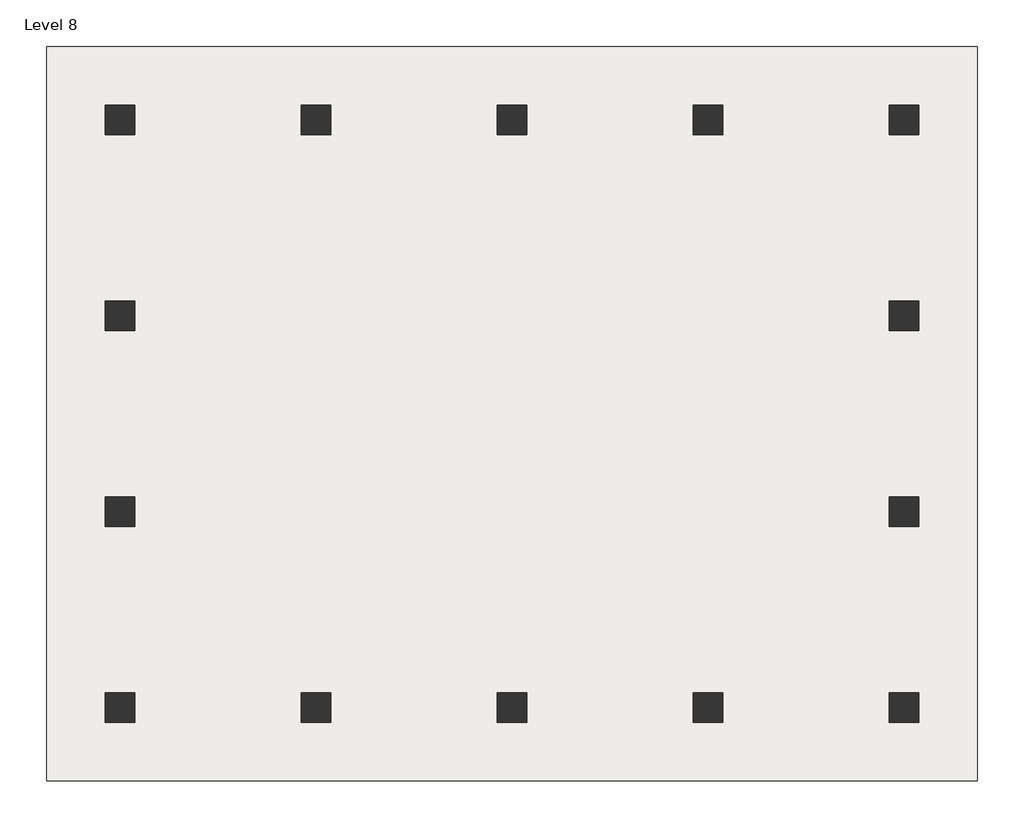
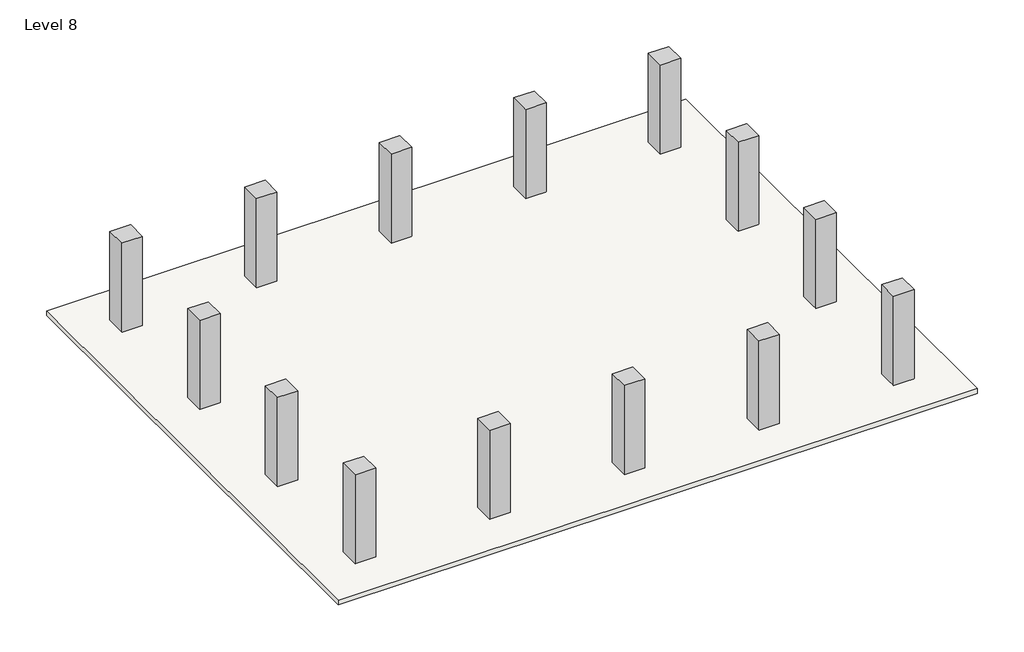
# One storey: 14 columns, 1 slab.
"""IFC4 building model written with IfcOpenShell, lengths in millimetres."""

from ifc_helpers import new_model, si_unit, frame, origin, place, context, project, spatial, polyline, outline, extrude, element, save

model = new_model("IFC4")

# Units and contexts
model_context = context("Model", 3, world=origin())
ifc_project = project(units=[si_unit("LENGTHUNIT", "METRE", prefix="MILLI")], contexts=[model_context])

# Site, building, storey
site = spatial("IfcSite", under=ifc_project)
building = spatial("IfcBuilding", under=site)
storey = spatial("IfcBuildingStorey", under=building, Name="Level 8", Elevation=27997.5633081)

# Columns
placement = place(None, origin())
element("IfcColumn", 1, ObjectType="M_Rectangular Column : 610 x 610mm", at=placement, inside=storey, context=model_context, shape_type="SweptSolid", body=[
    extrude(outline(polyline([(-5760.5268457, 4412.1335473), (-5760.5268457, 3802.1335473), (-6370.5268457, 3802.1335473), (-6370.5268457, 4412.1335473), (-5760.5268457, 4412.1335473)])), frame((0.0, 0.0, 27997.5633081), z_axis=(0.0, 0.0, 1.0), x_axis=(1.0, 0.0, 0.0)), (0.0, 0.0, 1.0), 3602.4366919),
])
element("IfcColumn", 2, ObjectType="M_Rectangular Column : 610 x 610mm", at=placement, inside=storey, context=model_context, shape_type="SweptSolid", body=[
    extrude(outline(polyline([(-1760.5268457, 4412.1335473), (-1760.5268457, 3802.1335473), (-2370.5268457, 3802.1335473), (-2370.5268457, 4412.1335473), (-1760.5268457, 4412.1335473)])), frame((0.0, 0.0, 27997.5633081), z_axis=(0.0, 0.0, 1.0), x_axis=(1.0, 0.0, 0.0)), (0.0, 0.0, 1.0), 3602.4366919),
])
element("IfcColumn", 3, ObjectType="M_Rectangular Column : 610 x 610mm", at=placement, inside=storey, context=model_context, shape_type="SweptSolid", body=[
    extrude(outline(polyline([(2239.4731543, 4412.1335473), (2239.4731543, 3802.1335473), (1629.4731543, 3802.1335473), (1629.4731543, 4412.1335473), (2239.4731543, 4412.1335473)])), frame((0.0, 0.0, 27997.5633081), z_axis=(0.0, 0.0, 1.0), x_axis=(1.0, 0.0, 0.0)), (0.0, 0.0, 1.0), 3602.4366919),
])
element("IfcColumn", 4, ObjectType="M_Rectangular Column : 610 x 610mm", at=placement, inside=storey, context=model_context, shape_type="SweptSolid", body=[
    extrude(outline(polyline([(6239.4731543, 4412.1335473), (6239.4731543, 3802.1335473), (5629.4731543, 3802.1335473), (5629.4731543, 4412.1335473), (6239.4731543, 4412.1335473)])), frame((0.0, 0.0, 27997.5633081), z_axis=(0.0, 0.0, 1.0), x_axis=(1.0, 0.0, 0.0)), (0.0, 0.0, 1.0), 3602.4366919),
])
element("IfcColumn", 5, ObjectType="M_Rectangular Column : 610 x 610mm", at=placement, inside=storey, context=model_context, shape_type="SweptSolid", body=[
    extrude(outline(polyline([(10239.4731543, 4412.1335473), (10239.4731543, 3802.1335473), (9629.4731543, 3802.1335473), (9629.4731543, 4412.1335473), (10239.4731543, 4412.1335473)])), frame((0.0, 0.0, 27997.5633081), z_axis=(0.0, 0.0, 1.0), x_axis=(1.0, 0.0, 0.0)), (0.0, 0.0, 1.0), 3602.4366919),
])
element("IfcColumn", 6, ObjectType="M_Rectangular Column : 610 x 610mm", at=placement, inside=storey, context=model_context, shape_type="SweptSolid", body=[
    extrude(outline(polyline([(10239.4731543, 412.1335473), (10239.4731543, -197.8664527), (9629.4731543, -197.8664527), (9629.4731543, 412.1335473), (10239.4731543, 412.1335473)])), frame((0.0, 0.0, 27997.5633081), z_axis=(0.0, 0.0, 1.0), x_axis=(1.0, 0.0, 0.0)), (0.0, 0.0, 1.0), 3602.4366919),
])
element("IfcColumn", 7, ObjectType="M_Rectangular Column : 610 x 610mm", at=placement, inside=storey, context=model_context, shape_type="SweptSolid", body=[
    extrude(outline(polyline([(10239.4731543, -3587.8664527), (10239.4731543, -4197.8664527), (9629.4731543, -4197.8664527), (9629.4731543, -3587.8664527), (10239.4731543, -3587.8664527)])), frame((0.0, 0.0, 27997.5633081), z_axis=(0.0, 0.0, 1.0), x_axis=(1.0, 0.0, 0.0)), (0.0, 0.0, 1.0), 3602.4366919),
])
element("IfcColumn", 8, ObjectType="M_Rectangular Column : 610 x 610mm", at=placement, inside=storey, context=model_context, shape_type="SweptSolid", body=[
    extrude(outline(polyline([(10239.4731543, -7587.8664527), (10239.4731543, -8197.8664527), (9629.4731543, -8197.8664527), (9629.4731543, -7587.8664527), (10239.4731543, -7587.8664527)])), frame((0.0, 0.0, 27997.5633081), z_axis=(0.0, 0.0, 1.0), x_axis=(1.0, 0.0, 0.0)), (0.0, 0.0, 1.0), 3602.4366919),
])
element("IfcColumn", 9, ObjectType="M_Rectangular Column : 610 x 610mm", at=placement, inside=storey, context=model_context, shape_type="SweptSolid", body=[
    extrude(outline(polyline([(6239.4731543, -7587.8664527), (6239.4731543, -8197.8664527), (5629.4731543, -8197.8664527), (5629.4731543, -7587.8664527), (6239.4731543, -7587.8664527)])), frame((0.0, 0.0, 27997.5633081), z_axis=(0.0, 0.0, 1.0), x_axis=(1.0, 0.0, 0.0)), (0.0, 0.0, 1.0), 3602.4366919),
])
element("IfcColumn", 10, ObjectType="M_Rectangular Column : 610 x 610mm", at=placement, inside=storey, context=model_context, shape_type="SweptSolid", body=[
    extrude(outline(polyline([(2239.4731543, -7587.8664527), (2239.4731543, -8197.8664527), (1629.4731543, -8197.8664527), (1629.4731543, -7587.8664527), (2239.4731543, -7587.8664527)])), frame((0.0, 0.0, 27997.5633081), z_axis=(0.0, 0.0, 1.0), x_axis=(1.0, 0.0, 0.0)), (0.0, 0.0, 1.0), 3602.4366919),
])
element("IfcColumn", 11, ObjectType="M_Rectangular Column : 610 x 610mm", at=placement, inside=storey, context=model_context, shape_type="SweptSolid", body=[
    extrude(outline(polyline([(-1760.5268457, -7587.8664527), (-1760.5268457, -8197.8664527), (-2370.5268457, -8197.8664527), (-2370.5268457, -7587.8664527), (-1760.5268457, -7587.8664527)])), frame((0.0, 0.0, 27997.5633081), z_axis=(0.0, 0.0, 1.0), x_axis=(1.0, 0.0, 0.0)), (0.0, 0.0, 1.0), 3602.4366919),
])
element("IfcColumn", 12, ObjectType="M_Rectangular Column : 610 x 610mm", at=placement, inside=storey, context=model_context, shape_type="SweptSolid", body=[
    extrude(outline(polyline([(-5760.5268457, -7587.8664527), (-5760.5268457, -8197.8664527), (-6370.5268457, -8197.8664527), (-6370.5268457, -7587.8664527), (-5760.5268457, -7587.8664527)])), frame((0.0, 0.0, 27997.5633081), z_axis=(0.0, 0.0, 1.0), x_axis=(1.0, 0.0, 0.0)), (0.0, 0.0, 1.0), 3602.4366919),
])
element("IfcColumn", 13, ObjectType="M_Rectangular Column : 610 x 610mm", at=placement, inside=storey, context=model_context, shape_type="SweptSolid", body=[
    extrude(outline(polyline([(-5760.5268457, -3587.8664527), (-5760.5268457, -4197.8664527), (-6370.5268457, -4197.8664527), (-6370.5268457, -3587.8664527), (-5760.5268457, -3587.8664527)])), frame((0.0, 0.0, 27997.5633081), z_axis=(0.0, 0.0, 1.0), x_axis=(1.0, 0.0, 0.0)), (0.0, 0.0, 1.0), 3602.4366919),
])
element("IfcColumn", 14, ObjectType="M_Rectangular Column : 610 x 610mm", at=placement, inside=storey, context=model_context, shape_type="SweptSolid", body=[
    extrude(outline(polyline([(-5760.5268457, 412.1335473), (-5760.5268457, -197.8664527), (-6370.5268457, -197.8664527), (-6370.5268457, 412.1335473), (-5760.5268457, 412.1335473)])), frame((0.0, 0.0, 27997.5633081), z_axis=(0.0, 0.0, 1.0), x_axis=(1.0, 0.0, 0.0)), (0.0, 0.0, 1.0), 3602.4366919),
])

# Slab
element("IfcSlab", 15, ObjectType="Generic 150mm", at=placement, inside=storey, context=model_context, shape_type="SweptSolid", body=[
    extrude(outline(polyline([(11434.4731543, 5607.1335473), (11434.4731543, -9392.8664527), (-7565.5268457, -9392.8664527), (-7565.5268457, 5607.1335473), (11434.4731543, 5607.1335473)])), frame((0.0, 0.0, 28647.5633081), z_axis=(0.0, 0.0, 1.0), x_axis=(1.0, 0.0, 0.0)), (0.0, 0.0, 1.0), 150.0),
])

save(model, "model.ifc")
